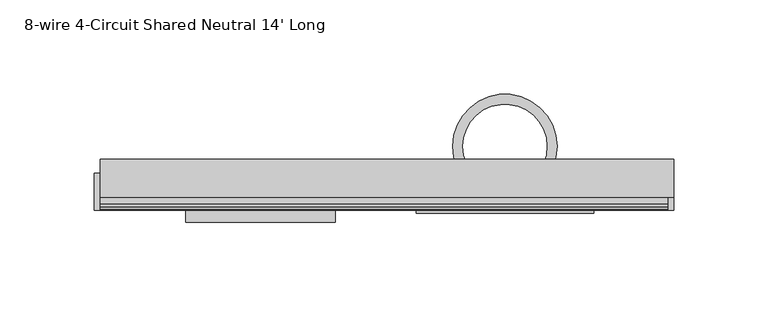
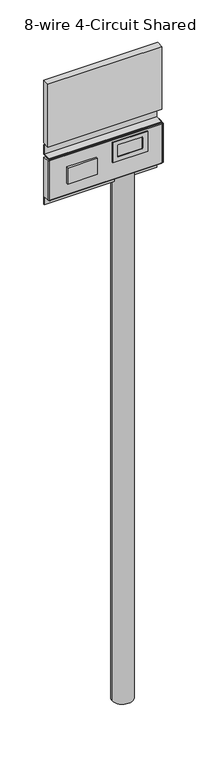
"""IFC4 building model written with IfcOpenShell, lengths in millimetres: furniture geometry, 8-wire 4-Circuit Shared Neutral 14' Long."""

from ifc_helpers import new_model, si_unit, point, frame, origin, origin_with_axes, origin_2d, place, context, project, spatial, polyline, circle_curve, trimmed, segment, composite_curve, outline, extrude, source, transform, mapped, element, save


def furniture_8_wire_4_circuit_shared_neutral_14_long_3e646972(model_context):
    return source(origin(), model_context, "Body", "SweptSolid", [
        extrude(outline(polyline([(1607.8259653, 47.1170005), (1607.8259653, -47.1170005), (1551.1839671, -47.1170005), (1551.1839671, 47.1170005), (1607.8259653, 47.1170005)]), holes=[polyline([(1596.2689672, 31.2420065), (1595.5994133, 32.8584595), (1593.9829671, 33.5280044), (1565.0269664, 33.5280044), (1563.4105203, 32.8584595), (1562.7409663, 31.2420065), (1562.7409663, -31.2419884), (1563.4105203, -32.8584413), (1565.0269664, -33.5279862), (1593.9829671, -33.5279862), (1595.5994133, -32.8584413), (1596.2689672, -31.2419884), (1596.2689672, 31.2420065)])]), frame((0.0, -35.6310779, 0.0), z_axis=(0.0, 1.0, 0.0), x_axis=(0.0, 0.0, 1.0)), (0.0, 0.0, 1.0), 1.624416),
        extrude(outline(polyline([(-90.1559337, -34.0066619), (-90.1559337, -40.3566649), (-169.6790444, -40.3566649), (-169.6790444, -34.0066619), (-90.1559337, -34.0066619)])), frame((0.0, 0.0, 1536.7749674), z_axis=(0.0, 0.0, 1.0), x_axis=(1.0, 0.0, 0.0)), (0.0, 0.0, 1.0), 44.4499991),
        extrude(outline(polyline([(-215.0104266, -34.0066619), (-218.3238225, -34.0066619), (-218.3238225, -14.4348437), (-215.0104266, -14.4348437), (-215.0104266, -34.0066619)])), frame((0.0, 0.0, 1503.4999659), z_axis=(0.0, 0.0, 1.0), x_axis=(1.0, 0.0, 0.0)), (0.0, 0.0, 1.0), 111.0000016),
        extrude(outline(polyline([(89.8000056, -34.0066619), (86.4866097, -34.0066619), (86.4866097, -14.4348437), (89.8000056, -14.4348437), (89.8000056, -34.0066619)])), frame((0.0, 0.0, 1503.4999659), z_axis=(0.0, 0.0, 1.0), x_axis=(1.0, 0.0, 0.0)), (0.0, 0.0, 1.0), 111.0000016),
        extrude(outline(polyline([(-8.706663, 1617.8999643), (-8.706663, 1643.1999644), (-7.0066634, 1643.1999644), (-7.0066634, 1616.1999681), (-30.5066621, 1616.1999681), (-31.7446497, 1615.7061484), (-32.3038816, 1614.4999674), (-32.3038816, 1503.4999659), (-31.7446497, 1502.293785), (-30.5066621, 1501.7999652), (-7.0066634, 1501.7999652), (-7.0066634, 1474.799969), (-8.706663, 1474.799969), (-8.706663, 1500.0999645), (-30.5066621, 1500.0999645), (-32.228541, 1500.5528165), (-33.5048121, 1501.7941152), (-34.0066619, 1503.5048273), (-34.0066619, 1614.495106), (-33.5048121, 1616.2058181), (-32.228541, 1617.4471168), (-30.5066621, 1617.8999643), (-8.706663, 1617.8999643)])), frame((-214.9999944, 0.0, 0.0), z_axis=(1.0, 0.0, 0.0), x_axis=(0.0, 1.0, 0.0)), (0.0, 0.0, 1.0), 301.4866041),
        extrude(outline(polyline([(89.8000056, -26.998664), (-214.9999944, -26.998664), (-214.9999944, -6.9986629), (89.8000056, -6.9986629), (89.8000056, -26.998664)])), frame((0.0, 0.0, 1648.8499647), z_axis=(0.0, 0.0, 1.0), x_axis=(1.0, 0.0, 0.0)), (0.0, 0.0, 1.0), 177.800003),
        extrude(outline(composite_curve([segment(trimmed(circle_curve(origin_2d(), 27.7018726), [point((-27.7018726, 0.0))], [point((27.7018726, 0.0))], False, "CARTESIAN"), True, "CONTINUOUS"), segment(trimmed(circle_curve(origin_2d(), 27.7018726), [point((27.7018726, 0.0))], [point((-27.7018726, 0.0))], False, "CARTESIAN"), True, "CONTINUOUS")], self_intersect=False), holes=[composite_curve([segment(trimmed(circle_curve(origin_2d(), 22.343337), [point((-22.343337, 0.0))], [point((22.343337, 0.0))], True, "CARTESIAN"), True, "CONTINUOUS"), segment(trimmed(circle_curve(origin_2d(), 22.343337), [point((22.343337, 0.0))], [point((-22.343337, 0.0))], True, "CARTESIAN"), True, "CONTINUOUS")], self_intersect=False)]), origin_with_axes(), (0.0, 0.0, 1.0), 1524.5068211),
    ])


if __name__ == "__main__":
    model = new_model("IFC4")
    model_context = context("Model", 3, world=origin())
    ifc_project = project(units=[si_unit("LENGTHUNIT", "METRE", prefix="MILLI")], contexts=[model_context])
    site = spatial("IfcSite", under=ifc_project)
    building = spatial("IfcBuilding", under=site)
    placement = place(None, origin())
    furniture_8_wire_4_circuit_shared_neutral_14_long_shape = furniture_8_wire_4_circuit_shared_neutral_14_long_3e646972(model_context)
    element("IfcFurniture", 1, ObjectType="8-wire 4-Circuit Shared Neutral 14' Long", at=placement, inside=building, context=model_context, shape_type="MappedRepresentation", body=[
        mapped(furniture_8_wire_4_circuit_shared_neutral_14_long_shape, transform((0.0, 0.0, 0.0), x_axis=(1.0, 0.0, 0.0), y_axis=(0.0, 1.0, 0.0), z_axis=(0.0, 0.0, 1.0))),
    ])
    save(model, "model.ifc")
